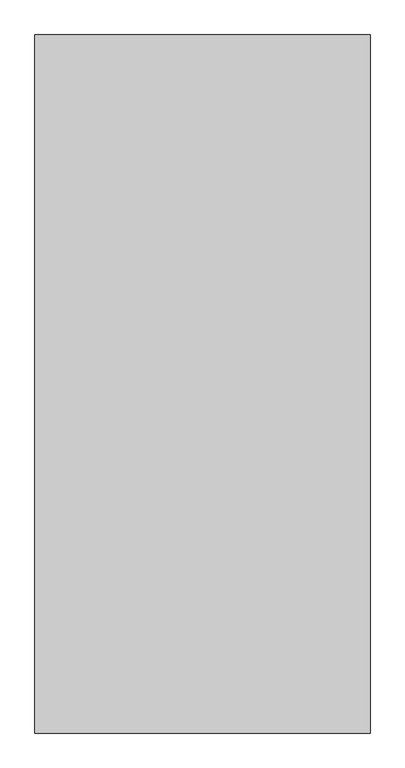
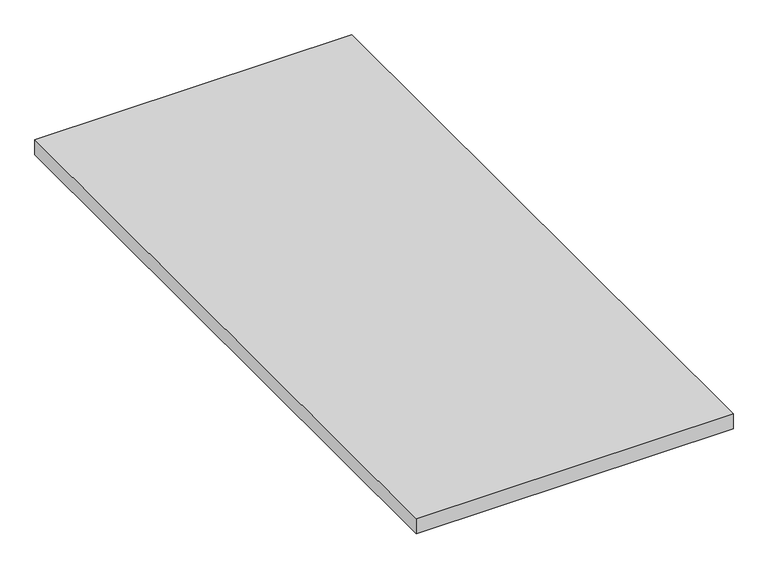
"""IFC4 building model written with IfcOpenShell, lengths in millimetres: proxy geometry."""

from ifc_helpers import new_model, si_unit, origin, origin_with_axes, place, context, project, spatial, polyline, outline, extrude, source, transform, mapped, element, save


def generic_models_df6a4306(model_context):
    return source(origin(), model_context, "Body", "SweptSolid", [
        extrude(outline(polyline([(-6184.8983566, 11347.1625159), (-6184.8983566, 10097.1625159), (-6784.8983566, 10097.1625159), (-6784.8983566, 11347.1625159), (-6184.8983566, 11347.1625159)])), origin_with_axes(), (0.0, 0.0, 1.0), 30.0),
    ])


if __name__ == "__main__":
    model = new_model("IFC4")
    model_context = context("Model", 3, world=origin())
    ifc_project = project(units=[si_unit("LENGTHUNIT", "METRE", prefix="MILLI")], contexts=[model_context])
    site = spatial("IfcSite", under=ifc_project)
    building = spatial("IfcBuilding", under=site)
    placement = place(None, origin())
    generic_models_shape = generic_models_df6a4306(model_context)
    element("IfcBuildingElementProxy", 1, Name="Generic Models", at=placement, inside=building, context=model_context, shape_type="MappedRepresentation", body=[
        mapped(generic_models_shape, transform((0.0, 0.0, 0.0), x_axis=(1.0, 0.0, 0.0), y_axis=(0.0, 1.0, 0.0), z_axis=(0.0, 0.0, 1.0))),
    ])
    save(model, "model.ifc")
